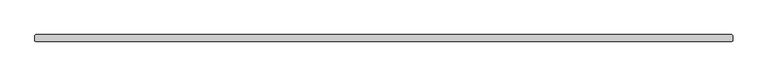
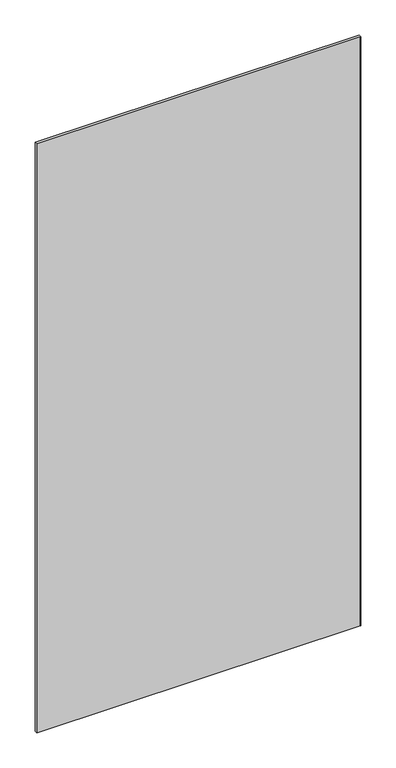
"""IFC4 building model written with IfcOpenShell, lengths in millimetres: plate geometry."""

import ifcopenshell
import ifcopenshell.guid

model = None  # the IFC model being written
_history = None  # IfcOwnerHistory: only IFC2X3 demands one
_inside = {}  # id of a spatial element -> (the spatial element, [elements in it])
_under = {}  # id of a project, library or spatial element -> (it, [spatial elements below it])
_declared = {}  # id of a project -> (the project, [libraries it declares])
_typed = {}  # id of a type object -> (the type object, [elements of that type])
_made_of = {}  # id of a material, layer set ... -> (it, [elements and type objects made of it])


def new_model(schema):
    """Start an empty IFC model of exactly this schema.

    Asked for "IFC4X3", IfcOpenShell would pick the latest addendum, in which some entities
    have other attributes; the version numbers below select the first issue.
    IFC2X3 requires an IfcOwnerHistory on every rooted entity: one is made here for all.
    """
    global model, _history
    if schema == "IFC4X3":
        model = ifcopenshell.file(schema_version=(4, 3, 0, 0))
    else:
        model = ifcopenshell.file(schema=schema)
    _inside.clear()
    _under.clear()
    _declared.clear()
    _typed.clear()
    _made_of.clear()
    _history = None
    if model.schema == "IFC2X3":
        org = make("IfcOrganization", Name="unknown")
        user = make(
            "IfcPersonAndOrganization",
            ThePerson=make("IfcPerson", FamilyName="unknown"),
            TheOrganization=org,
        )
        app = make(
            "IfcApplication",
            ApplicationDeveloper=org,
            Version="unknown",
            ApplicationFullName="unknown",
            ApplicationIdentifier="unknown",
        )
        _history = make(
            "IfcOwnerHistory",
            OwningUser=user,
            OwningApplication=app,
            ChangeAction="ADDED",
            CreationDate=0,
        )
    return model


def make(cls, **values):
    """One entity of the class cls with the attributes given. An attribute that is None is left unset."""
    return model.create_entity(
        cls, **{name: value for name, value in values.items() if value is not None}
    )


def rooted(cls, **values):
    """An entity with a GlobalId (a new one), such as an element, a storey or a relation."""
    return make(cls, GlobalId=ifcopenshell.guid.new(), OwnerHistory=_history, **values)


def si_unit(unit_type, name, prefix=None):
    """IfcSIUnit, for example si_unit("LENGTHUNIT", "METRE", prefix="MILLI")."""
    return make("IfcSIUnit", UnitType=unit_type, Prefix=prefix, Name=name)


def assignment(units):
    """IfcUnitAssignment: the units of a project."""
    return None if units is None else make("IfcUnitAssignment", Units=units)


def point(xyz):
    """IfcCartesianPoint."""
    return None if xyz is None else make("IfcCartesianPoint", Coordinates=xyz)


def direction(xyz):
    """IfcDirection."""
    return None if xyz is None else make("IfcDirection", DirectionRatios=xyz)


def frame(location, z_axis=None, x_axis=None):
    """IfcAxis2Placement3D, a coordinate frame: its origin and axes. An axis left out is left unset."""
    return make(
        "IfcAxis2Placement3D",
        Location=point(location),
        Axis=direction(z_axis),
        RefDirection=direction(x_axis),
    )


def origin():
    """The frame at (0, 0, 0) with its axes left unset."""
    return frame((0.0, 0.0, 0.0))


def origin_with_axes():
    """The frame at (0, 0, 0) with the z axis (0, 0, 1) and the x axis (1, 0, 0) written out."""
    return frame((0.0, 0.0, 0.0), z_axis=(0.0, 0.0, 1.0), x_axis=(1.0, 0.0, 0.0))


def place(relative_to, where):
    """IfcLocalPlacement: puts the frame where relative to a parent placement (None: the world)."""
    return make(
        "IfcLocalPlacement", PlacementRelTo=relative_to, RelativePlacement=where
    )


def context(
    kind, dimensions, precision=None, world=None, true_north=None, identifier=None
):
    """IfcGeometricRepresentationContext, for example the 3D "Model" context."""
    return make(
        "IfcGeometricRepresentationContext",
        ContextIdentifier=identifier,
        ContextType=kind,
        CoordinateSpaceDimension=dimensions,
        Precision=precision,
        WorldCoordinateSystem=world,
        TrueNorth=true_north,
    )


def project(units=None, contexts=None):
    """IfcProject with its units and contexts."""
    return rooted(
        "IfcProject",
        Name="project",
        RepresentationContexts=contexts,
        UnitsInContext=assignment(units),
    )


def spatial(cls, under=None, at=None, **own):
    """A site, building, storey or space (cls), placed at a placement, below another one or the project."""
    s = rooted(cls, ObjectPlacement=at, **own)
    if under is not None:
        _under.setdefault(under.id(), (under, []))[1].append(s)
    return s


def polyline(points):
    """IfcPolyline through the points."""
    return make("IfcPolyline", Points=[point(p) for p in points])


def outline(outer, holes=None, kind="AREA"):
    """IfcArbitraryClosedProfileDef: a profile drawn as a closed curve; with holes, ...WithVoids."""
    if holes is None:
        return make("IfcArbitraryClosedProfileDef", ProfileType=kind, OuterCurve=outer)
    return make(
        "IfcArbitraryProfileDefWithVoids",
        ProfileType=kind,
        OuterCurve=outer,
        InnerCurves=holes,
    )


def extrude(swept, where, along, depth):
    """IfcExtrudedAreaSolid: the profile swept, set in the frame where, extruded along a direction by depth."""
    return make(
        "IfcExtrudedAreaSolid",
        SweptArea=swept,
        Position=where,
        ExtrudedDirection=direction(along),
        Depth=depth,
    )


def shape(context_of_items, identifier, shape_type, items):
    """IfcShapeRepresentation: the items that make up one representation, for example the "Body"."""
    return make(
        "IfcShapeRepresentation",
        ContextOfItems=context_of_items,
        RepresentationIdentifier=identifier,
        RepresentationType=shape_type,
        Items=items,
    )


def source(mapping_origin, context_of_items, identifier, shape_type, items):
    """IfcRepresentationMap: a shape defined once, which mapped items show again and again."""
    return make(
        "IfcRepresentationMap",
        MappingOrigin=mapping_origin,
        MappedRepresentation=shape(context_of_items, identifier, shape_type, items),
    )


def transform(
    local_origin,
    x_axis=None,
    y_axis=None,
    z_axis=None,
    scale=None,
    scale2=None,
    scale3=None,
    uniform=True,
):
    """IfcCartesianTransformationOperator3D, or its non-uniform kind. x_axis, y_axis, z_axis: its Axis1, 2, 3."""
    if uniform:
        return make(
            "IfcCartesianTransformationOperator3D",
            Axis1=direction(x_axis),
            Axis2=direction(y_axis),
            LocalOrigin=point(local_origin),
            Scale=scale,
            Axis3=direction(z_axis),
        )
    return make(
        "IfcCartesianTransformationOperator3DnonUniform",
        Axis1=direction(x_axis),
        Axis2=direction(y_axis),
        LocalOrigin=point(local_origin),
        Scale=scale,
        Axis3=direction(z_axis),
        Scale2=scale2,
        Scale3=scale3,
    )


def mapped(mapping_source, mapping_target):
    """IfcMappedItem: shows the shape of a source again, moved by a transform."""
    return make(
        "IfcMappedItem", MappingSource=mapping_source, MappingTarget=mapping_target
    )


def made_of(thing, what):
    """Note that an element or type object is made of a material, layer set ...; save() writes the relation."""
    if what is not None:
        _made_of.setdefault(what.id(), (what, []))[1].append(thing)
    return thing


def element(
    cls,
    number,
    at=None,
    inside=None,
    cuts=None,
    type_object=None,
    material=None,
    context=None,
    identifier="Body",
    shape_type=None,
    held_by="IfcProductDefinitionShape",
    body=None,
    shapes=None,
    **own,
):
    """One element of the class cls, such as IfcWall. Its Tag is "e" and its number.

    at: its placement. inside: the storey or other place that contains it. cuts: it is an
    opening in that element (IfcRelVoidsElement). A single representation is given by context,
    identifier, shape_type and body (its items); several are given by shapes. held_by: the class
    of the entity that holds the representations. save() writes the other relations.
    """
    e = rooted(cls, Tag="e%d" % number, ObjectPlacement=at, **own)
    if body is not None:
        shapes = [shape(context, identifier, shape_type, body)]
    if shapes is not None:
        e.Representation = make(held_by, Representations=shapes)
    if inside is not None:
        _inside.setdefault(inside.id(), (inside, []))[1].append(e)
    if cuts is not None:
        rooted(
            "IfcRelVoidsElement", RelatingBuildingElement=cuts, RelatedOpeningElement=e
        )
    if type_object is not None:
        _typed.setdefault(type_object.id(), (type_object, []))[1].append(e)
    return made_of(e, material)


def aggregate(whole, parts):
    """IfcRelAggregates: a whole, such as a stair, and the parts it consists of."""
    return rooted("IfcRelAggregates", RelatingObject=whole, RelatedObjects=parts)


def save(model, path):
    """Write the relations noted so far, then the file.

    IfcRelAggregates (storeys below a building ...), IfcRelContainedInSpatialStructure (elements
    in a storey), IfcRelDefinesByType, IfcRelAssociatesMaterial and IfcRelDeclares: one each for
    every whole, place, type object, material and project.
    """
    for whole, parts in _under.values():
        aggregate(whole, parts)
    for where, things in _inside.values():
        rooted(
            "IfcRelContainedInSpatialStructure",
            RelatedElements=things,
            RelatingStructure=where,
        )
    for kind, things in _typed.values():
        rooted("IfcRelDefinesByType", RelatedObjects=things, RelatingType=kind)
    for what, things in _made_of.values():
        rooted("IfcRelAssociatesMaterial", RelatedObjects=things, RelatingMaterial=what)
    for by, libraries in _declared.values():
        rooted("IfcRelDeclares", RelatingContext=by, RelatedDefinitions=libraries)
    model.write(path)


def plate_62236dca(model_context):
    return source(origin(), model_context, "Body", "SweptSolid", [
        extrude(outline(polyline([(629.840625, -6.35), (-629.840625, -6.35), (-631.428125, -4.7625), (-631.428125, 4.7625), (-629.840625, 6.35), (629.840625, 6.35), (631.428125, 4.7625), (631.428125, -4.7625), (629.840625, -6.35)])), origin_with_axes(), (0.0, 0.0, 1.0), 2427.1914267),
    ])


if __name__ == "__main__":
    model = new_model("IFC4")
    model_context = context("Model", 3, world=origin())
    ifc_project = project(units=[si_unit("LENGTHUNIT", "METRE", prefix="MILLI")], contexts=[model_context])
    site = spatial("IfcSite", under=ifc_project)
    building = spatial("IfcBuilding", under=site)
    placement = place(None, origin())
    plate_shape = plate_62236dca(model_context)
    element("IfcPlate", 1, at=placement, inside=building, context=model_context, shape_type="MappedRepresentation", body=[
        mapped(plate_shape, transform((0.0, 0.0, 0.0), x_axis=(1.0, 0.0, 0.0), y_axis=(0.0, 1.0, 0.0), z_axis=(0.0, 0.0, 1.0))),
    ])
    save(model, "model.ifc")
